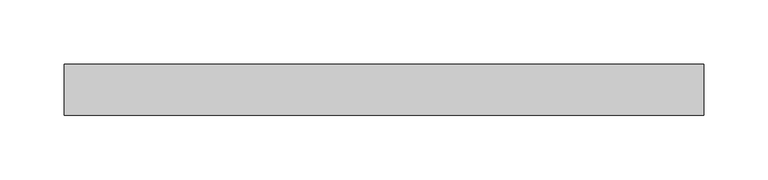
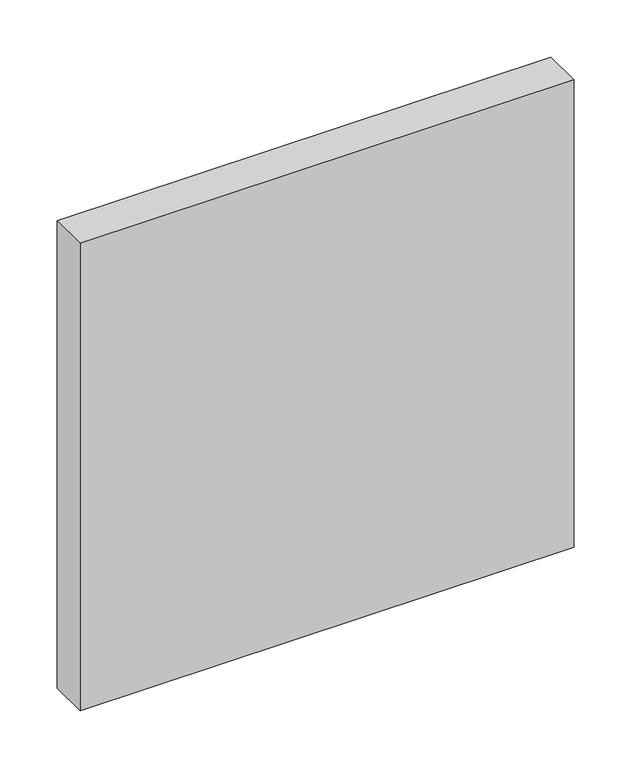
"""IFC4 building model written with IfcOpenShell, lengths in millimetres: plate geometry."""

from ifc_helpers import new_model, si_unit, origin, origin_with_axes, place, context, project, spatial, polyline, outline, extrude, source, transform, mapped, element, save


def plate_4afce515(model_context):
    return source(origin(), model_context, "Body", "SweptSolid", [
        extrude(outline(polyline([(249.5000001, -40.0), (-249.5000001, -40.0), (-249.5000001, 0.0), (249.5000001, 0.0), (249.5000001, -40.0)])), origin_with_axes(), (0.0, 0.0, 1.0), 499.0),
    ])


if __name__ == "__main__":
    model = new_model("IFC4")
    model_context = context("Model", 3, world=origin())
    ifc_project = project(units=[si_unit("LENGTHUNIT", "METRE", prefix="MILLI")], contexts=[model_context])
    site = spatial("IfcSite", under=ifc_project)
    building = spatial("IfcBuilding", under=site)
    placement = place(None, origin())
    plate_shape = plate_4afce515(model_context)
    element("IfcPlate", 1, at=placement, inside=building, context=model_context, shape_type="MappedRepresentation", body=[
        mapped(plate_shape, transform((0.0, 0.0, 0.0), x_axis=(1.0, 0.0, 0.0), y_axis=(0.0, 1.0, 0.0), z_axis=(0.0, 0.0, 1.0))),
    ])
    save(model, "model.ifc")
